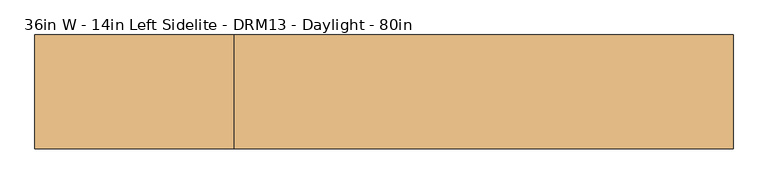
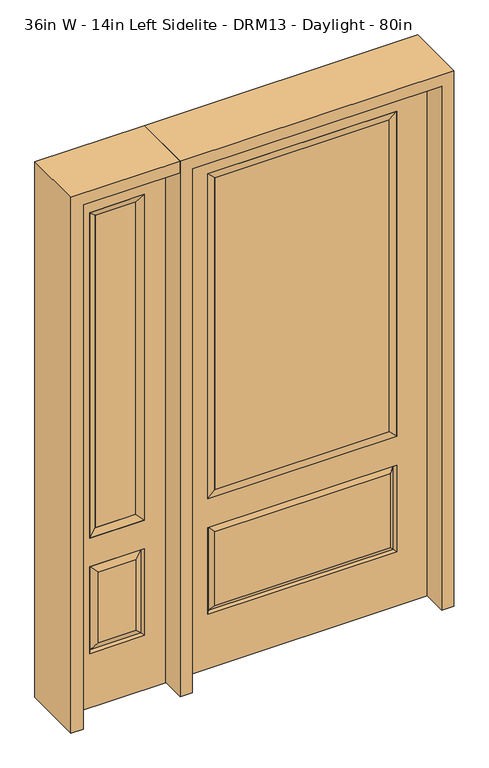
"""IFC4 building model written with IfcOpenShell, lengths in millimetres: door geometry, 36in W - 14in Left Sidelite - DRM13 - Daylight - 80in."""

from ifc_helpers import new_model, si_unit, frame, origin, place, context, project, spatial, polyline, outline, extrude, faceted_brep, source, transform, mapped, element, save


def door_36in_w_14in_left_sidelite_drm13_daylight_80in_f22b5cdb(model_context):
    return source(origin(), model_context, "Body", "SolidModel", [
        faceted_brep([(-857.25, -22.225, 0.0), (-501.65, -22.225, 0.0), (-501.65, -22.225, 2032.0), (-857.25, -22.225, 2032.0), (-579.12, -22.225, 1919.224), (-579.12, -22.225, 657.098), (-779.78, -22.225, 657.098), (-779.78, -22.225, 1919.224), (-579.12, -22.225, 209.55), (-779.78, -22.225, 209.55), (-779.78, -22.225, 546.1), (-579.12, -22.225, 546.1), (-748.0648999, -22.225, 241.2651001), (-610.8351001, -22.225, 241.2651001), (-610.8351001, -22.225, 514.3848999), (-748.0648999, -22.225, 514.3848999), (-857.25, 22.225, 0.0), (-857.25, 22.225, 2032.0), (-501.65, 22.225, 2032.0), (-501.65, 22.225, 0.0), (-579.12, 22.225, 1919.224), (-779.78, 22.225, 1919.224), (-779.78, 22.225, 657.098), (-579.12, 22.225, 657.098), (-779.78, 22.225, 209.55), (-579.12, 22.225, 209.55), (-579.12, 22.225, 546.1), (-779.78, 22.225, 546.1), (-610.8351001, 22.225, 241.2651001), (-748.0648999, 22.225, 241.2651001), (-748.0648999, 22.225, 514.3848999), (-610.8351001, 22.225, 514.3848999), (-586.2288501, 12.7912373, 216.6588501), (-772.6711499, 12.7912373, 216.6588501), (-772.6711499, 12.7912373, 538.9911499), (-586.2288501, 12.7912373, 538.9911499), (-772.6711499, -12.7912373, 216.6588501), (-586.2288501, -12.7912373, 216.6588501), (-772.6711499, -12.7912373, 538.9911499), (-586.2288501, -12.7912373, 538.9911499)], [[[0, 1, 2, 3], [4, 5, 6, 7], [8, 9, 10, 11]], [[12, 13, 14, 15]], [[16, 17, 18, 19], [20, 21, 22, 23], [24, 25, 26, 27]], [[28, 29, 30, 31]], [[1, 0, 16, 19]], [[2, 1, 19, 18]], [[3, 2, 18, 17]], [[0, 3, 17, 16]], [[5, 4, 20, 23]], [[6, 5, 23, 22]], [[7, 6, 22, 21]], [[4, 7, 21, 20]], [[32, 33, 29, 28]], [[33, 32, 25, 24]], [[29, 33, 34, 30]], [[33, 24, 27, 34]], [[30, 34, 35, 31]], [[34, 27, 26, 35]], [[32, 28, 31, 35]], [[25, 32, 35, 26]], [[12, 36, 37, 13]], [[37, 36, 9, 8]], [[36, 12, 15, 38]], [[9, 36, 38, 10]], [[38, 15, 14, 39]], [[10, 38, 39, 11]], [[13, 37, 39, 14]], [[37, 8, 11, 39]]]),
        faceted_brep([(-779.78, 22.225, 1919.224), (-779.78, -22.225, 1919.224), (-579.12, -22.225, 1919.224), (-579.12, 22.225, 1919.224), (-754.38, 12.7, 1893.824), (-604.52, 12.7, 1893.824), (-754.38, -12.7, 1893.824), (-604.52, -12.7, 1893.824), (-579.12, -22.225, 657.098), (-579.12, 22.225, 657.098), (-604.52, 12.7, 682.498), (-604.52, -12.7, 682.498), (-779.78, -22.225, 657.098), (-779.78, 22.225, 657.098), (-754.38, 12.7, 682.498), (-754.38, -12.7, 682.498)], [[[0, 1, 2, 3]], [[4, 0, 3, 5]], [[6, 4, 5, 7]], [[1, 6, 7, 2]], [[3, 2, 8, 9]], [[5, 3, 9, 10]], [[7, 5, 10, 11]], [[2, 7, 11, 8]], [[9, 8, 12, 13]], [[10, 9, 13, 14]], [[11, 10, 14, 15]], [[8, 11, 15, 12]], [[13, 12, 1, 0]], [[14, 13, 0, 4]], [[15, 14, 4, 6]], [[12, 15, 6, 1]]]),
        extrude(outline(polyline([(-604.52, -12.7), (-754.38, -12.7), (-754.38, 12.7), (-604.52, 12.7), (-604.52, -12.7)])), frame((0.0, 0.0, 682.498), z_axis=(0.0, 0.0, 1.0), x_axis=(1.0, 0.0, 0.0)), (0.0, 0.0, 1.0), 1211.326),
        faceted_brep([(-338.9661499, -12.7912373, 216.6588501), (338.9661499, -12.7912373, 216.6588501), (321.46875, -22.225, 234.15625), (-321.46875, -22.225, 234.15625), (-346.075, -22.225, 209.55), (346.075, -22.225, 209.55), (-338.9661499, -12.7912373, 538.9911499), (-346.075, -22.225, 546.1), (321.46875, -22.225, 521.49375), (-321.46875, -22.225, 521.49375), (457.2, -22.225, 2032.0), (-457.2, -22.225, 2032.0), (-457.2, -22.225, 0.0), (457.2, -22.225, 0.0), (346.075, -22.225, 546.1), (346.075, -22.225, 1917.7), (346.075, -22.225, 657.098), (-346.075, -22.225, 657.098), (-346.075, -22.225, 1917.7), (338.9661499, -12.7912373, 538.9911499), (-457.2, 22.225, 2032.0), (-457.2, 22.225, 0.0), (457.2, 22.225, 0.0), (457.2, 22.225, 2032.0), (346.075, 22.225, 1917.7), (346.075, 22.225, 657.098), (-346.075, 22.225, 657.098), (-346.075, 22.225, 1917.7), (-346.075, 22.225, 209.55), (346.075, 22.225, 209.55), (346.075, 22.225, 546.1), (-346.075, 22.225, 546.1), (321.46875, 22.225, 234.15625), (-321.46875, 22.225, 234.15625), (-321.46875, 22.225, 521.49375), (321.46875, 22.225, 521.49375), (-338.9661499, 12.7912373, 216.6588501), (338.9661499, 12.7912373, 216.6588501), (338.9661499, 12.7912373, 538.9911499), (-338.9661499, 12.7912373, 538.9911499)], [[[0, 1, 2, 3]], [[1, 0, 4, 5]], [[4, 0, 6, 7]], [[3, 2, 8, 9]], [[10, 11, 12, 13], [5, 4, 7, 14], [15, 16, 17, 18]], [[1, 5, 14, 19]], [[2, 1, 19, 8]], [[0, 3, 9, 6]], [[7, 6, 19, 14]], [[6, 9, 8, 19]], [[12, 11, 20, 21]], [[13, 12, 21, 22]], [[10, 13, 22, 23]], [[16, 15, 24, 25]], [[17, 16, 25, 26]], [[18, 17, 26, 27]], [[23, 22, 21, 20], [28, 29, 30, 31], [24, 27, 26, 25]], [[32, 33, 34, 35]], [[28, 36, 37, 29]], [[29, 37, 38, 30]], [[39, 31, 30, 38]], [[36, 28, 31, 39]], [[37, 36, 33, 32]], [[33, 36, 39, 34]], [[34, 39, 38, 35]], [[37, 32, 35, 38]], [[11, 10, 23, 20]], [[15, 18, 27, 24]]]),
        faceted_brep([(-346.075, -22.225, 1917.7), (-346.075, 22.225, 1917.7), (-346.075, 22.225, 657.098), (-346.075, -22.225, 657.098), (346.075, 22.225, 657.098), (346.075, -22.225, 657.098), (-320.675, 5.08, 682.498), (320.675, 5.08, 682.498), (346.075, 22.225, 1917.7), (346.075, -22.225, 1917.7), (-320.675, -20.32, 682.498), (320.675, -20.32, 682.498), (-320.675, -20.32, 1892.3), (320.675, -20.32, 1892.3), (-320.675, 5.08, 1892.3), (320.675, 5.08, 1892.3)], [[[0, 1, 2, 3]], [[3, 2, 4, 5]], [[2, 6, 7, 4]], [[5, 4, 8, 9]], [[10, 3, 5, 11]], [[12, 0, 3, 10]], [[11, 5, 9, 13]], [[6, 10, 11, 7]], [[14, 12, 10, 6]], [[7, 11, 13, 15]], [[1, 14, 6, 2]], [[4, 7, 15, 8]], [[9, 8, 1, 0]], [[13, 9, 0, 12]], [[15, 13, 12, 14]], [[8, 15, 14, 1]]]),
        extrude(outline(polyline([(320.675, -20.32), (-320.675, -20.32), (-320.675, 5.08), (320.675, 5.08), (320.675, -20.32)])), frame((0.0, 0.0, 682.498), z_axis=(0.0, 0.0, 1.0), x_axis=(1.0, 0.0, 0.0)), (0.0, 0.0, 1.0), 1209.802),
        extrude(outline(polyline([(2032.0, -501.65), (2076.45, -501.65), (2076.45, -901.7), (0.0, -901.7), (0.0, -857.25), (2032.0, -857.25), (2032.0, -501.65)])), frame((0.0, -114.3, 0.0), z_axis=(0.0, 1.0, 0.0), x_axis=(0.0, 0.0, 1.0)), (0.0, 0.0, 1.0), 228.6),
        extrude(outline(polyline([(2076.45, -501.65), (0.0, -501.65), (0.0, -457.2), (2032.0, -457.2), (2032.0, 457.2), (0.0, 457.2), (0.0, 501.65), (2076.45, 501.65), (2076.45, -501.65)])), frame((0.0, -114.3, 0.0), z_axis=(0.0, 1.0, 0.0), x_axis=(0.0, 0.0, 1.0)), (0.0, 0.0, 1.0), 228.6),
    ])


if __name__ == "__main__":
    model = new_model("IFC4")
    model_context = context("Model", 3, world=origin())
    ifc_project = project(units=[si_unit("LENGTHUNIT", "METRE", prefix="MILLI")], contexts=[model_context])
    site = spatial("IfcSite", under=ifc_project)
    building = spatial("IfcBuilding", under=site)
    placement = place(None, origin())
    door_36in_w_14in_left_sidelite_drm13_daylight_80in_shape = door_36in_w_14in_left_sidelite_drm13_daylight_80in_f22b5cdb(model_context)
    element("IfcDoor", 1, ObjectType="36in W - 14in Left Sidelite - DRM13 - Daylight - 80in", at=placement, inside=building, context=model_context, shape_type="MappedRepresentation", body=[
        mapped(door_36in_w_14in_left_sidelite_drm13_daylight_80in_shape, transform((0.0, 0.0, 0.0), x_axis=(1.0, 0.0, 0.0), y_axis=(0.0, 1.0, 0.0), z_axis=(0.0, 0.0, 1.0))),
    ])
    save(model, "model.ifc")
